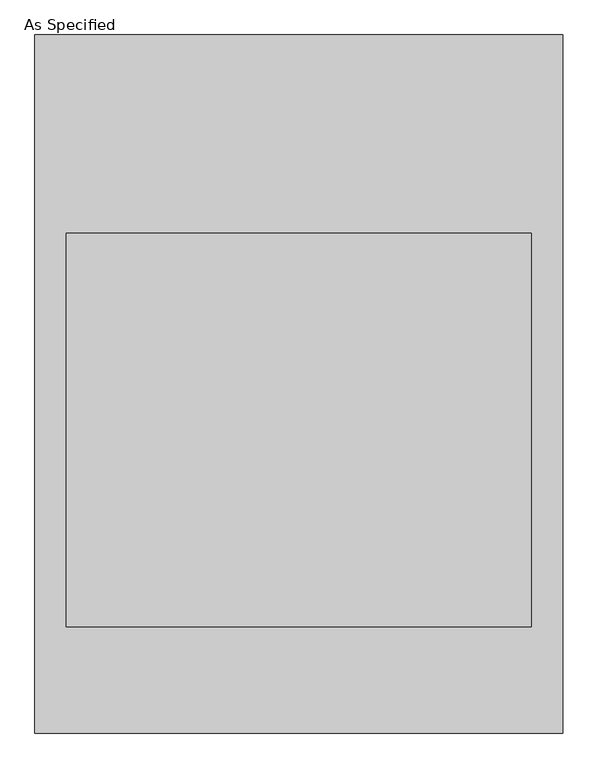
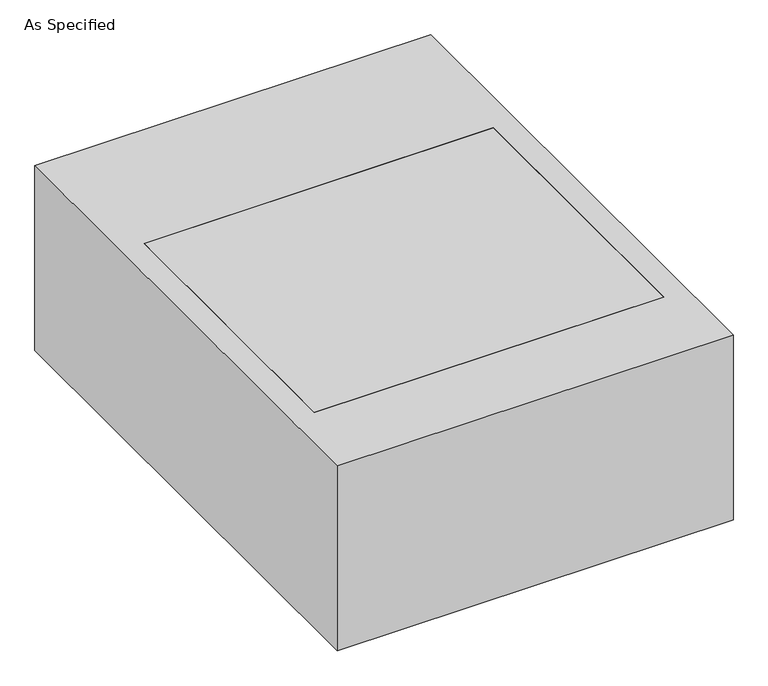
"""IFC4 building model written with IfcOpenShell, lengths in millimetres: proxy geometry, As Specified."""

from ifc_helpers import new_model, si_unit, frame, origin, place, context, project, spatial, polyline, outline, extrude, faceted_brep, source, transform, mapped, element, save


def as_specified_72dbec68(model_context):
    return source(origin(), model_context, "Body", "SolidModel", [
        faceted_brep([(450.85, -469.9, -25.4), (450.85, 292.1, -25.4), (450.85, 292.1, -373.0625), (450.85, -469.9, -373.0625), (-511.175, 676.275, -25.4), (-511.175, 676.275, -530.225), (-511.175, -676.275, -530.225), (-511.175, -676.275, -25.4), (-450.85, 292.1, -25.4), (-450.85, -469.9, -25.4), (-450.85, -469.9, -373.0625), (-450.85, 292.1, -373.0625), (511.175, 676.275, -25.4), (511.175, -676.275, -25.4), (511.175, -676.275, -530.225), (511.175, 676.275, -530.225)], [[[0, 1, 2, 3]], [[4, 5, 6, 7]], [[8, 9, 10, 11]], [[12, 4, 7, 13], [9, 8, 1, 0]], [[12, 13, 14, 15]], [[14, 13, 7, 6]], [[15, 14, 6, 5]], [[12, 15, 5, 4]], [[8, 11, 2, 1]], [[11, 10, 3, 2]], [[10, 9, 0, 3]]]),
        extrude(outline(polyline([(450.85, 292.1), (450.85, -469.9), (-450.85, -469.9), (-450.85, 292.1), (450.85, 292.1)])), frame((0.0, 0.0, -373.0625), z_axis=(0.0, 0.0, 1.0), x_axis=(1.0, 0.0, 0.0)), (0.0, 0.0, 1.0), 347.6625),
    ])


if __name__ == "__main__":
    model = new_model("IFC4")
    model_context = context("Model", 3, world=origin())
    ifc_project = project(units=[si_unit("LENGTHUNIT", "METRE", prefix="MILLI")], contexts=[model_context])
    site = spatial("IfcSite", under=ifc_project)
    building = spatial("IfcBuilding", under=site)
    placement = place(None, origin())
    as_specified_shape = as_specified_72dbec68(model_context)
    element("IfcBuildingElementProxy", 1, Name="As Specified", ObjectType="As Specified", at=placement, inside=building, context=model_context, shape_type="MappedRepresentation", body=[
        mapped(as_specified_shape, transform((0.0, 0.0, 0.0), x_axis=(1.0, 0.0, 0.0), y_axis=(0.0, 1.0, 0.0), z_axis=(0.0, 0.0, 1.0))),
    ])
    save(model, "model.ifc")
